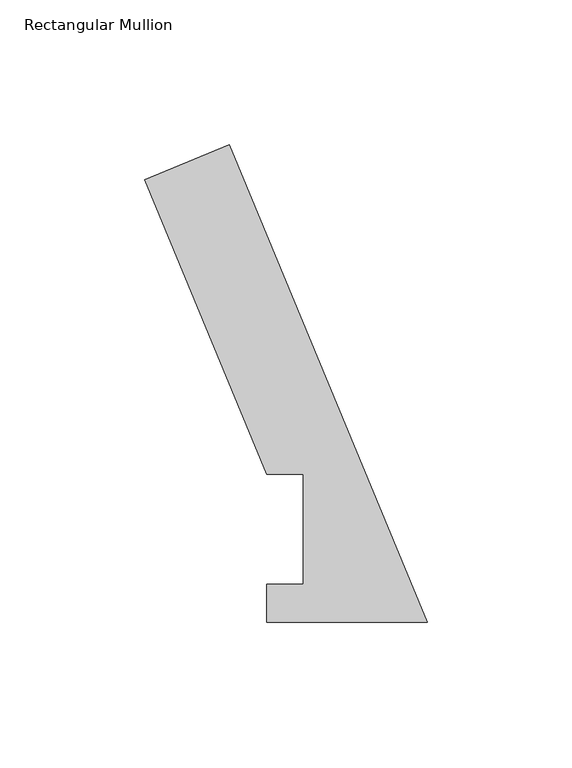
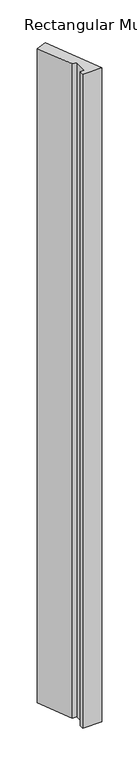
"""IFC4 building model written with IfcOpenShell, lengths in millimetres: member geometry, Rectangular Mullion."""

from ifc_helpers import new_model, si_unit, frame, origin, place, context, project, spatial, polyline, outline, extrude, source, transform, mapped, element, save


def rectangular_mullion_13a49f9a(model_context):
    return source(origin(), model_context, "Body", "SweptSolid", [
        extrude(outline(polyline([(0.0, 0.060298), (-55.5640922, 0.060298), (-55.5640922, 13.2332912), (-42.8885138, 13.2332912), (-42.8885138, 51.2960937), (-55.5885138, 51.2960938), (-97.8128853, 153.2347441), (-68.4797102, 165.384943), (0.0, 0.060298)])), frame((0.0, 0.0, -1993.8999999), z_axis=(0.0, 0.0, 1.0), x_axis=(1.0, 0.0, 0.0)), (0.0, 0.0, 1.0), 1993.8999999),
    ])


if __name__ == "__main__":
    model = new_model("IFC4")
    model_context = context("Model", 3, world=origin())
    ifc_project = project(units=[si_unit("LENGTHUNIT", "METRE", prefix="MILLI")], contexts=[model_context])
    site = spatial("IfcSite", under=ifc_project)
    building = spatial("IfcBuilding", under=site)
    placement = place(None, origin())
    rectangular_mullion_shape = rectangular_mullion_13a49f9a(model_context)
    element("IfcMember", 1, ObjectType="Rectangular Mullion", at=placement, inside=building, context=model_context, shape_type="MappedRepresentation", body=[
        mapped(rectangular_mullion_shape, transform((0.0, 0.0, 0.0), x_axis=(1.0, 0.0, 0.0), y_axis=(0.0, 1.0, 0.0), z_axis=(0.0, 0.0, 1.0))),
    ])
    save(model, "model.ifc")
